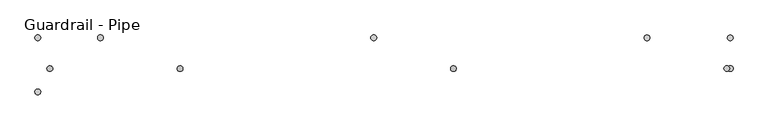
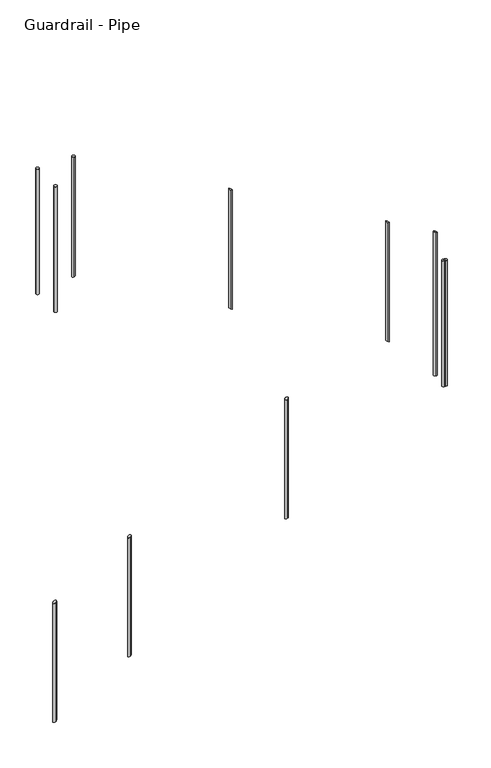
"""IFC4 building model written with IfcOpenShell, lengths in millimetres: railing geometry, Guardrail - Pipe."""

from ifc_helpers import new_model, si_unit, point, frame, frame_2d, origin, origin_with_axes, place, context, project, spatial, circle_curve, ellipse_curve, trimmed, segment, composite_curve, outline, extrude, source, transform, mapped, element, save
from ifc_brep_helpers import plane_surface, cylinder_surface, advanced_brep


def guardrail_pipe_aab36157(model_context):
    return source(origin(), model_context, "Body", "SolidModel", [
        advanced_brep(
        [(3309.3904629, -22477.3087769, -2133.1730445), (3309.3904629, -22477.3087769, -3107.3979342), (3309.3904629, -22502.7087769, -3107.3979342), (3309.3904629, -22502.7087769, -2133.1730445)],
        [
            (0, 1),
            (1, 2, ellipse_curve(frame((3309.3904629, -22490.0087769, -3107.3979342), z_axis=(-0.5002134764839171, 0.0, 0.8659021179924863), x_axis=(0.8659021179924862, 0.0, 0.5002134764839172)), 14.6667848, 12.7)),
            (2, 3),
            (3, 0, ellipse_curve(frame((3309.3904629, -22490.0087769, -2133.1730445), z_axis=(0.4997041800472086, 0.0, -0.8661961281622926), x_axis=(0.8661961281622927, 0.0, 0.49970418004720873)), 14.6618065, 12.7)),
            (0, 3, ellipse_curve(frame((3309.3904629, -22490.0087769, -2133.1730445), z_axis=(0.4997041800472086, 0.0, -0.8661961281622926), x_axis=(0.8661961281622927, 0.0, 0.49970418004720873)), 14.6618065, 12.7)),
            (2, 1, ellipse_curve(frame((3309.3904629, -22490.0087769, -3107.3979342), z_axis=(-0.5002134764839171, 0.0, 0.8659021179924863), x_axis=(0.8659021179924862, 0.0, 0.5002134764839172)), 14.6667848, 12.7)),
        ],
        [
            cylinder_surface(frame((3309.3904629, -22490.0087769, -3335.9979342), z_axis=(0.0, 0.0, 1.0), x_axis=(0.0, -1.0, 0.0)), 12.7),
            plane_surface(frame((3283.9904629, -22515.4087769, -2147.8261765), z_axis=(-0.4997041800472086, 0.0, 0.8661961281622926), x_axis=(0.0, 1.0, 0.0))),
            plane_surface(frame((3334.7904629, -22515.4087769, -3092.7248874), z_axis=(0.5002134764839171, 0.0, -0.8659021179924863), x_axis=(0.0, 1.0, 0.0))),
        ],
        [
            (0, [[1, 2, 3, 4]]),
            (0, [[-1, 5, -3, 6]]),
            (1, [[-4, -5]]),
            (2, [[-2, -6]]),
        ],
    ),
        advanced_brep(
        [(4528.5904629, -22477.3087769, -1429.8227102), (4528.5904629, -22477.3087769, -2403.0916877), (4528.5904629, -22502.7087769, -2403.0916877), (4528.5904629, -22502.7087769, -1429.8227102)],
        [
            (0, 1),
            (1, 2, ellipse_curve(frame((4528.5904629, -22490.0087769, -2403.0916877), z_axis=(-0.5002134764839171, 0.0, 0.8659021179924863), x_axis=(0.8659021179924862, 0.0, 0.5002134764839172)), 14.6667848, 12.7)),
            (2, 3),
            (3, 0, ellipse_curve(frame((4528.5904629, -22490.0087769, -1429.8227102), z_axis=(0.4997041800472086, 0.0, -0.8661961281622926), x_axis=(0.8661961281622927, 0.0, 0.49970418004720873)), 14.6618065, 12.7)),
            (0, 3, ellipse_curve(frame((4528.5904629, -22490.0087769, -1429.8227102), z_axis=(0.4997041800472086, 0.0, -0.8661961281622926), x_axis=(0.8661961281622927, 0.0, 0.49970418004720873)), 14.6618065, 12.7)),
            (2, 1, ellipse_curve(frame((4528.5904629, -22490.0087769, -2403.0916877), z_axis=(-0.5002134764839171, 0.0, 0.8659021179924863), x_axis=(0.8659021179924862, 0.0, 0.5002134764839172)), 14.6667848, 12.7)),
        ],
        [
            cylinder_surface(frame((4528.5904629, -22490.0087769, -2631.6916877), z_axis=(0.0, 0.0, 1.0), x_axis=(0.0, -1.0, 0.0)), 12.7),
            plane_surface(frame((4503.1904629, -22515.4087769, -1444.4758422), z_axis=(-0.4997041800472086, 0.0, 0.8661961281622926), x_axis=(0.0, 1.0, 0.0))),
            plane_surface(frame((4553.9904629, -22515.4087769, -2388.4186409), z_axis=(0.5002134764839171, 0.0, -0.8659021179924863), x_axis=(0.0, 1.0, 0.0))),
        ],
        [
            (0, [[1, 2, 3, 4]]),
            (0, [[-1, 5, -3, 6]]),
            (1, [[-4, -5]]),
            (2, [[-2, -6]]),
        ],
    ),
        advanced_brep(
        [(5392.1904629, -22365.5340928, -364.8447391), (5392.1904629, -22365.5340928, -1338.1137166), (5392.1904629, -22340.1340928, -1338.1137166), (5392.1904629, -22340.1340928, -364.8447391)],
        [
            (0, 1),
            (1, 2, ellipse_curve(frame((5392.1904629, -22352.8340928, -1338.1137166), z_axis=(0.5002134764839171, 0.0, 0.8659021179924863), x_axis=(-0.8659021179924862, 0.0, 0.5002134764839172)), 14.6667848, 12.7)),
            (2, 3),
            (3, 0, ellipse_curve(frame((5392.1904629, -22352.8340928, -364.8447391), z_axis=(-0.4997041800472086, 0.0, -0.8661961281622926), x_axis=(-0.8661961281622927, 0.0, 0.49970418004720873)), 14.6618065, 12.7)),
            (0, 3, ellipse_curve(frame((5392.1904629, -22352.8340928, -364.8447391), z_axis=(-0.4997041800472086, 0.0, -0.8661961281622926), x_axis=(-0.8661961281622927, 0.0, 0.49970418004720873)), 14.6618065, 12.7)),
            (2, 1, ellipse_curve(frame((5392.1904629, -22352.8340928, -1338.1137166), z_axis=(0.5002134764839171, 0.0, 0.8659021179924863), x_axis=(-0.8659021179924862, 0.0, 0.5002134764839172)), 14.6667848, 12.7)),
        ],
        [
            cylinder_surface(frame((5392.1904629, -22352.8340928, -1566.7137166), z_axis=(0.0, 0.0, 1.0), x_axis=(0.0, 1.0, 0.0)), 12.7),
            plane_surface(frame((5417.5904629, -22327.4340928, -379.4978711), z_axis=(0.4997041800472086, 0.0, 0.8661961281622926), x_axis=(0.0, -1.0, 0.0))),
            plane_surface(frame((5366.7904629, -22327.4340928, -1323.4406698), z_axis=(-0.5002134764839171, 0.0, -0.8659021179924863), x_axis=(0.0, -1.0, 0.0))),
        ],
        [
            (0, [[1, 2, 3, 4]]),
            (0, [[-1, 5, -3, 6]]),
            (1, [[-4, -5]]),
            (2, [[-2, -6]]),
        ],
    ),
        advanced_brep(
        [(4172.9904629, -22365.5340928, 329.0872767), (4172.9904629, -22365.5340928, -644.1817008), (4172.9904629, -22340.1340928, -644.1817008), (4172.9904629, -22340.1340928, 329.0872767)],
        [
            (0, 1),
            (1, 2, ellipse_curve(frame((4172.9904629, -22352.8340928, -644.1817008), z_axis=(0.5002134764839171, 0.0, 0.8659021179924863), x_axis=(-0.8659021179924862, 0.0, 0.5002134764839172)), 14.6667848, 12.7)),
            (2, 3),
            (3, 0, ellipse_curve(frame((4172.9904629, -22352.8340928, 329.0872767), z_axis=(-0.4997041800472086, 0.0, -0.8661961281622926), x_axis=(-0.8661961281622927, 0.0, 0.49970418004720873)), 14.6618065, 12.7)),
            (0, 3, ellipse_curve(frame((4172.9904629, -22352.8340928, 329.0872767), z_axis=(-0.4997041800472086, 0.0, -0.8661961281622926), x_axis=(-0.8661961281622927, 0.0, 0.49970418004720873)), 14.6618065, 12.7)),
            (2, 1, ellipse_curve(frame((4172.9904629, -22352.8340928, -644.1817008), z_axis=(0.5002134764839171, 0.0, 0.8659021179924863), x_axis=(-0.8659021179924862, 0.0, 0.5002134764839172)), 14.6667848, 12.7)),
        ],
        [
            cylinder_surface(frame((4172.9904629, -22352.8340928, -872.7817008), z_axis=(0.0, 0.0, 1.0), x_axis=(0.0, 1.0, 0.0)), 12.7),
            plane_surface(frame((4198.3904629, -22327.4340928, 314.4341447), z_axis=(0.4997041800472086, 0.0, 0.8661961281622926), x_axis=(0.0, -1.0, 0.0))),
            plane_surface(frame((4147.5904629, -22327.4340928, -629.508654), z_axis=(-0.5002134764839171, 0.0, -0.8659021179924863), x_axis=(0.0, -1.0, 0.0))),
        ],
        [
            (0, [[1, 2, 3, 4]]),
            (0, [[-1, 5, -3, 6]]),
            (1, [[-4, -5]]),
            (2, [[-2, -6]]),
        ],
    ),
        extrude(outline(composite_curve([segment(trimmed(circle_curve(frame_2d((5747.7904629, -22490.0087769)), 12.7), [point((5747.7904629, -22502.7087769))], [point((5747.7904629, -22477.3087769))], False, "CARTESIAN"), True, "CONTINUOUS"), segment(trimmed(circle_curve(frame_2d((5747.7904629, -22490.0087769)), 12.7), [point((5747.7904629, -22477.3087769))], [point((5747.7904629, -22502.7087769))], False, "CARTESIAN"), True, "CONTINUOUS")], self_intersect=False)), frame((0.0, 0.0, -1749.2869565), z_axis=(0.0, 0.0, 1.0), x_axis=(1.0, 0.0, 0.0)), (0.0, 0.0, 1.0), 1028.7),
        extrude(outline(composite_curve([segment(trimmed(circle_curve(frame_2d((5763.5452881, -22490.0087769)), 12.7), [point((5776.2452881, -22490.0087769))], [point((5750.8452881, -22490.0087769))], False, "CARTESIAN"), True, "CONTINUOUS"), segment(trimmed(circle_curve(frame_2d((5763.5452881, -22490.0087769)), 12.7), [point((5750.8452881, -22490.0087769))], [point((5776.2452881, -22490.0087769))], False, "CARTESIAN"), True, "CONTINUOUS")], self_intersect=False)), frame((0.0, 0.0, -1749.2869565), z_axis=(0.0, 0.0, 1.0), x_axis=(1.0, 0.0, 0.0)), (0.0, 0.0, 1.0), 1028.7),
        advanced_brep(
        [(5763.5452881, -22365.5340928, -576.2671294), (5763.5452881, -22365.5340928, -1749.2869565), (5763.5452881, -22340.1340928, -1749.2869565), (5763.5452881, -22340.1340928, -576.2671294)],
        [
            (0, 1),
            (1, 2, circle_curve(frame((5763.5452881, -22352.8340928, -1749.2869565), z_axis=(0.0, 0.0, 1.0), x_axis=(0.0, 1.0, 0.0)), 12.7)),
            (2, 3),
            (3, 0, ellipse_curve(frame((5763.5452881, -22352.8340928, -576.2671294), z_axis=(-0.49465847024287646, 0.0, -0.8690874511906022), x_axis=(-0.8690874511906022, 0.0, 0.4946584702428766)), 14.6130289, 12.7)),
            (0, 3, ellipse_curve(frame((5763.5452881, -22352.8340928, -576.2671294), z_axis=(-0.49465847024287646, 0.0, -0.8690874511906022), x_axis=(-0.8690874511906022, 0.0, 0.4946584702428766)), 14.6130289, 12.7)),
            (2, 1, circle_curve(frame((5763.5452881, -22352.8340928, -1749.2869565), z_axis=(0.0, 0.0, 1.0), x_axis=(0.0, 1.0, 0.0)), 12.7)),
        ],
        [
            cylinder_surface(frame((5763.5452881, -22352.8340928, -1977.8869565), z_axis=(0.0, 0.0, 1.0), x_axis=(0.0, 1.0, 0.0)), 12.7),
            plane_surface(frame((5788.9452881, -22327.4340928, -590.7240463), z_axis=(0.49465847024287646, 0.0, 0.8690874511906022), x_axis=(0.0, -1.0, 0.0))),
            plane_surface(frame((5738.1452881, -22327.4340928, -1749.2869565), z_axis=(0.0, 0.0, -1.0), x_axis=(0.0, -1.0, 0.0))),
        ],
        [
            (0, [[1, 2, 3, 4]]),
            (0, [[-1, 5, -3, 6]]),
            (1, [[-4, -5]]),
            (2, [[-2, -6]]),
        ],
    ),
        advanced_brep(
        [(2953.7904629, -22365.5340928, 1028.7), (2953.7904629, -22365.5340928, 49.750315), (2953.7904629, -22340.1340928, 49.750315), (2953.7904629, -22340.1340928, 1028.7)],
        [
            (0, 1),
            (1, 2, ellipse_curve(frame((2953.7904629, -22352.8340928, 49.750315), z_axis=(-0.4946584702428729, 0.0, 0.8690874511906044), x_axis=(0.8690874511906046, 0.0, 0.49465847024287235)), 14.6130289, 12.7)),
            (2, 3),
            (3, 0, circle_curve(frame((2953.7904629, -22352.8340928, 1028.7), z_axis=(0.0, 0.0, -1.0), x_axis=(0.0, 1.0, 0.0)), 12.7)),
            (0, 3, circle_curve(frame((2953.7904629, -22352.8340928, 1028.7), z_axis=(0.0, 0.0, -1.0), x_axis=(0.0, 1.0, 0.0)), 12.7)),
            (2, 1, ellipse_curve(frame((2953.7904629, -22352.8340928, 49.750315), z_axis=(-0.4946584702428729, 0.0, 0.8690874511906044), x_axis=(0.8690874511906046, 0.0, 0.49465847024287235)), 14.6130289, 12.7)),
        ],
        [
            cylinder_surface(frame((2953.7904629, -22352.8340928, -178.849685), z_axis=(0.0, 0.0, 1.0), x_axis=(0.0, 1.0, 0.0)), 12.7),
            plane_surface(frame((2979.1904629, -22327.4340928, 1028.7), z_axis=(0.0, 0.0, 1.0), x_axis=(0.0, -1.0, 0.0))),
            plane_surface(frame((2928.3904629, -22327.4340928, 35.293398), z_axis=(0.4946584702428729, 0.0, -0.8690874511906044), x_axis=(0.0, -1.0, 0.0))),
        ],
        [
            (0, [[1, 2, 3, 4]]),
            (0, [[-1, 5, -3, 6]]),
            (1, [[-4, -5]]),
            (2, [[-2, -6]]),
        ],
    ),
        extrude(outline(composite_curve([segment(trimmed(circle_curve(frame_2d((2674.3904629, -22352.8340928)), 12.7), [point((2661.6904629, -22352.8340928))], [point((2687.0904629, -22352.8340928))], False, "CARTESIAN"), True, "CONTINUOUS"), segment(trimmed(circle_curve(frame_2d((2674.3904629, -22352.8340928)), 12.7), [point((2687.0904629, -22352.8340928))], [point((2661.6904629, -22352.8340928))], False, "CARTESIAN"), True, "CONTINUOUS")], self_intersect=False)), origin_with_axes(), (0.0, 0.0, 1.0), 1028.7),
        advanced_brep(
        [(2728.2452881, -22477.3087769, -2468.4327665), (2728.2452881, -22477.3087769, -3443.1133023), (2728.2452881, -22502.7087769, -3443.1133023), (2728.2452881, -22502.7087769, -2468.4327665)],
        [
            (0, 1),
            (1, 2, ellipse_curve(frame((2728.2452881, -22490.0087769, -3443.1133023), z_axis=(-0.5002134764839168, 0.0, 0.8659021179924865), x_axis=(0.8659021179924864, 0.0, 0.5002134764839169)), 14.6667848, 12.7)),
            (2, 3),
            (3, 0, ellipse_curve(frame((2728.2452881, -22490.0087769, -2468.4327665), z_axis=(0.4997041800472086, 0.0, -0.8661961281622926), x_axis=(0.8661961281622927, 0.0, 0.49970418004720873)), 14.6618065, 12.7)),
            (0, 3, ellipse_curve(frame((2728.2452881, -22490.0087769, -2468.4327665), z_axis=(0.4997041800472086, 0.0, -0.8661961281622926), x_axis=(0.8661961281622927, 0.0, 0.49970418004720873)), 14.6618065, 12.7)),
            (2, 1, ellipse_curve(frame((2728.2452881, -22490.0087769, -3443.1133023), z_axis=(-0.5002134764839168, 0.0, 0.8659021179924865), x_axis=(0.8659021179924864, 0.0, 0.5002134764839169)), 14.6667848, 12.7)),
        ],
        [
            cylinder_surface(frame((2728.2452881, -22490.0087769, -3671.7133023), z_axis=(0.0, 0.0, 1.0), x_axis=(0.0, -1.0, 0.0)), 12.7),
            plane_surface(frame((2702.8452881, -22515.4087769, -2483.0858984), z_axis=(-0.4997041800472086, 0.0, 0.8661961281622926), x_axis=(0.0, 1.0, 0.0))),
            plane_surface(frame((2753.6452881, -22515.4087769, -3428.4402555), z_axis=(0.5002134764839168, 0.0, -0.8659021179924865), x_axis=(0.0, 1.0, 0.0))),
        ],
        [
            (0, [[1, 2, 3, 4]]),
            (0, [[-1, 5, -3, 6]]),
            (1, [[-4, -5]]),
            (2, [[-2, -6]]),
        ],
    ),
        extrude(outline(composite_curve([segment(trimmed(circle_curve(frame_2d((2674.3904629, -22594.1340928)), 12.7), [point((2661.6904629, -22594.1340928))], [point((2687.0904629, -22594.1340928))], False, "CARTESIAN"), True, "CONTINUOUS"), segment(trimmed(circle_curve(frame_2d((2674.3904629, -22594.1340928)), 12.7), [point((2687.0904629, -22594.1340928))], [point((2661.6904629, -22594.1340928))], False, "CARTESIAN"), True, "CONTINUOUS")], self_intersect=False)), origin_with_axes(), (0.0, 0.0, 1.0), 1028.7),
    ])


if __name__ == "__main__":
    model = new_model("IFC4")
    model_context = context("Model", 3, world=origin())
    ifc_project = project(units=[si_unit("LENGTHUNIT", "METRE", prefix="MILLI")], contexts=[model_context])
    site = spatial("IfcSite", under=ifc_project)
    building = spatial("IfcBuilding", under=site)
    placement = place(None, origin())
    guardrail_pipe_shape = guardrail_pipe_aab36157(model_context)
    element("IfcRailing", 1, ObjectType="Guardrail - Pipe", at=placement, inside=building, context=model_context, shape_type="MappedRepresentation", body=[
        mapped(guardrail_pipe_shape, transform((0.0, 0.0, 0.0), x_axis=(1.0, 0.0, 0.0), y_axis=(0.0, 1.0, 0.0), z_axis=(0.0, 0.0, 1.0))),
    ])
    save(model, "model.ifc")
